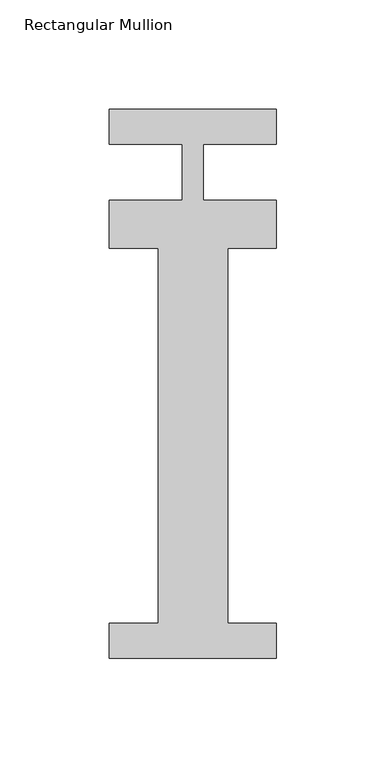
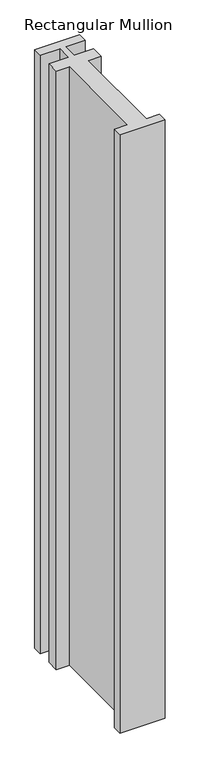
"""IFC4 building model written with IfcOpenShell, lengths in millimetres: member geometry, Rectangular Mullion."""

from ifc_helpers import new_model, si_unit, frame, origin, place, context, project, spatial, polyline, outline, extrude, source, transform, mapped, element, save


def rectangular_mullion_82ee00c3(model_context):
    return source(origin(), model_context, "Body", "SweptSolid", [
        extrude(outline(polyline([(38.1, -221.996), (-38.1, -221.996), (-38.1, -206.121), (-15.875, -206.121), (-15.875, -34.671), (-38.1, -34.671), (-38.1, -12.7), (-4.7625, -12.7), (-4.7625, 12.7), (-38.1, 12.7), (-38.1, 28.7131807), (38.1, 28.7131807), (38.1, 12.7), (4.7625, 12.7), (4.7625, -12.7), (38.1, -12.7), (38.1, -34.671), (15.875, -34.671), (15.875, -206.121), (38.1, -206.121), (38.1, -221.996)])), frame((0.0, 0.0, -1073.6242824), z_axis=(0.0, 0.0, 1.0), x_axis=(1.0, 0.0, 0.0)), (0.0, 0.0, 1.0), 1073.6242824),
    ])


if __name__ == "__main__":
    model = new_model("IFC4")
    model_context = context("Model", 3, world=origin())
    ifc_project = project(units=[si_unit("LENGTHUNIT", "METRE", prefix="MILLI")], contexts=[model_context])
    site = spatial("IfcSite", under=ifc_project)
    building = spatial("IfcBuilding", under=site)
    placement = place(None, origin())
    rectangular_mullion_shape = rectangular_mullion_82ee00c3(model_context)
    element("IfcMember", 1, ObjectType="Rectangular Mullion", at=placement, inside=building, context=model_context, shape_type="MappedRepresentation", body=[
        mapped(rectangular_mullion_shape, transform((0.0, 0.0, 0.0), x_axis=(1.0, 0.0, 0.0), y_axis=(0.0, 1.0, 0.0), z_axis=(0.0, 0.0, 1.0))),
    ])
    save(model, "model.ifc")
